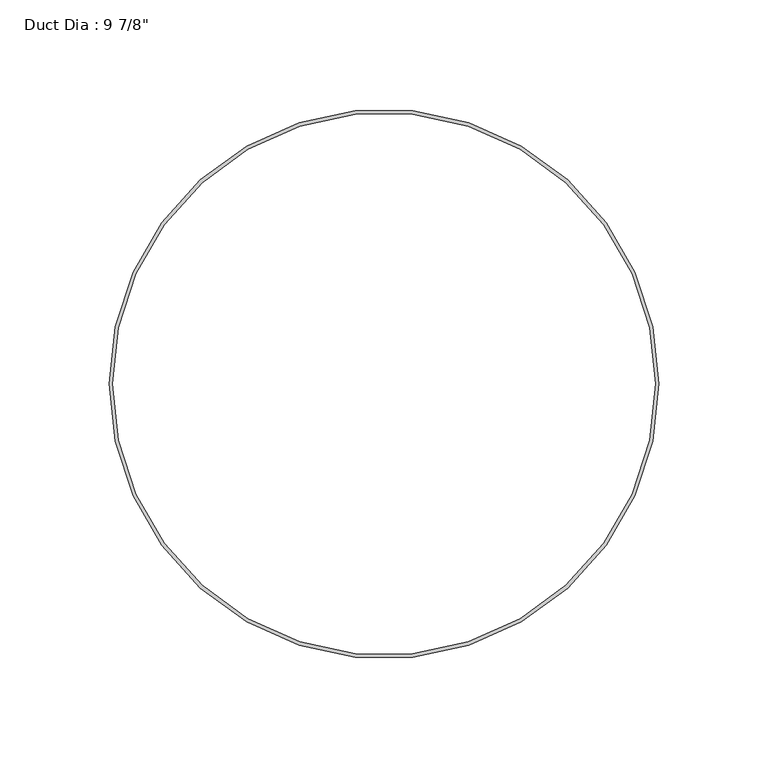
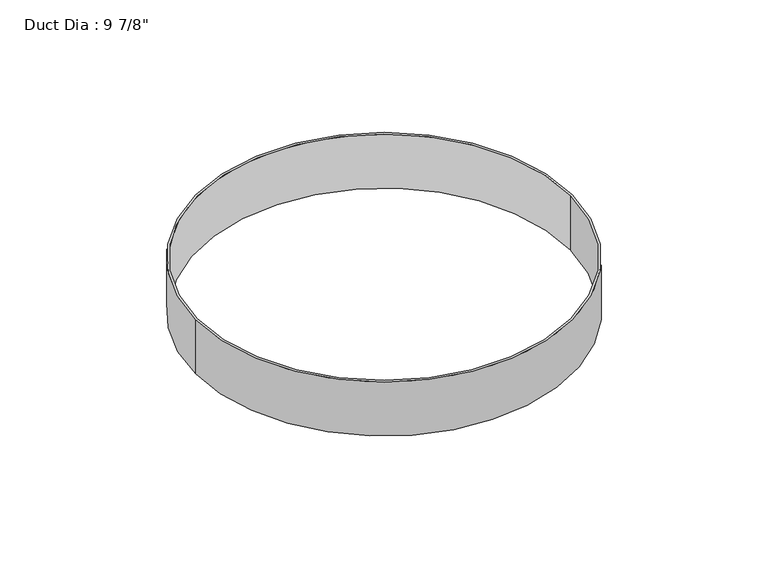
"""IFC4 building model written with IfcOpenShell, lengths in millimetres: proxy geometry."""

from ifc_helpers import new_model, si_unit, point, origin, origin_with_axes, origin_2d, place, context, project, spatial, circle_curve, trimmed, segment, composite_curve, outline, extrude, source, transform, mapped, element, save


def proxy_14fdace9(model_context):
    return source(origin(), model_context, "Body", "SweptSolid", [
        extrude(outline(composite_curve([segment(trimmed(circle_curve(origin_2d(), 125.4125), [point((-125.4125, 0.0))], [point((125.4125, 0.0))], False, "CARTESIAN"), True, "CONTINUOUS"), segment(trimmed(circle_curve(origin_2d(), 125.4125), [point((125.4125, 0.0))], [point((-125.4125, 0.0))], False, "CARTESIAN"), True, "CONTINUOUS")], self_intersect=False), holes=[composite_curve([segment(trimmed(circle_curve(origin_2d(), 123.825), [point((-123.825, 0.0))], [point((123.825, 0.0))], True, "CARTESIAN"), True, "CONTINUOUS"), segment(trimmed(circle_curve(origin_2d(), 123.825), [point((123.825, 0.0))], [point((-123.825, 0.0))], True, "CARTESIAN"), True, "CONTINUOUS")], self_intersect=False)]), origin_with_axes(), (0.0, 0.0, 1.0), 38.1),
    ])


if __name__ == "__main__":
    model = new_model("IFC4")
    model_context = context("Model", 3, world=origin())
    ifc_project = project(units=[si_unit("LENGTHUNIT", "METRE", prefix="MILLI")], contexts=[model_context])
    site = spatial("IfcSite", under=ifc_project)
    building = spatial("IfcBuilding", under=site)
    placement = place(None, origin())
    proxy_shape = proxy_14fdace9(model_context)
    element("IfcBuildingElementProxy", 1, Name="Duct Dia : 9 7/8\"", ObjectType="Duct Dia : 9 7/8\"", at=placement, inside=building, context=model_context, shape_type="MappedRepresentation", body=[
        mapped(proxy_shape, transform((0.0, 0.0, 0.0), x_axis=(1.0, 0.0, 0.0), y_axis=(0.0, 1.0, 0.0), z_axis=(0.0, 0.0, 1.0))),
    ])
    save(model, "model.ifc")
